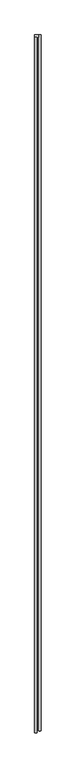
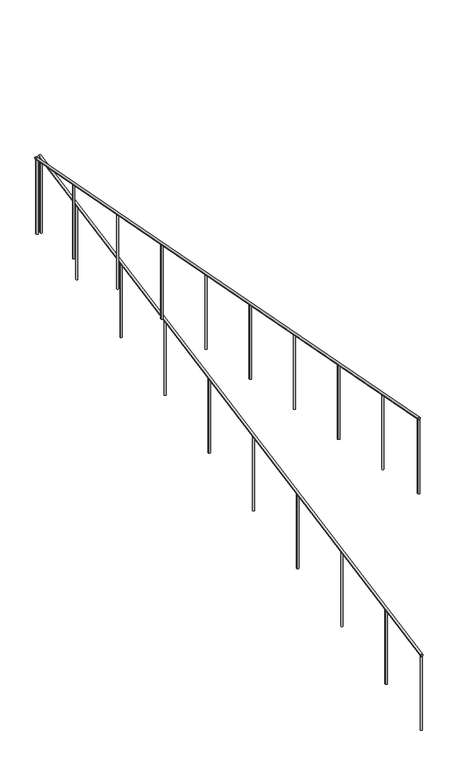
"""IFC4 building model written with IfcOpenShell, lengths in millimetres: railing geometry."""

from ifc_helpers import new_model, si_unit, point, frame, frame_2d, origin, place, context, project, spatial, circle_curve, ellipse_curve, trimmed, segment, composite_curve, outline, extrude, source, transform, mapped, element, save
from ifc_brep_helpers import plane_surface, cylinder_surface, advanced_brep


def railing_60e6f6f8(model_context):
    return source(origin(), model_context, "Body", "SolidModel", [
        advanced_brep(
        [(-2521.6708619, -4424.8001688, 1034.7279862), (-2491.6708619, -4424.8001688, 1034.7279862), (-2521.6708619, 4217.6998312, 2688.0758123), (-2491.6708619, 4217.6998312, 2688.0758123)],
        [
            (0, 1, ellipse_curve(frame((-2506.6708619, -4424.8001688, 1034.7279862), z_axis=(0.0, -1.0, 0.0), x_axis=(0.0, 0.0, -1.0)), 15.2720138, 15.0)),
            (1, 0, ellipse_curve(frame((-2506.6708619, -4424.8001688, 1034.7279862), z_axis=(0.0, -1.0, 0.0), x_axis=(0.0, 0.0, -1.0)), 15.2720138, 15.0)),
            (2, 3, ellipse_curve(frame((-2506.6708619, 4217.6998312, 2688.0758123), z_axis=(0.0, 1.0, 0.0), x_axis=(0.0, 0.0, -1.0)), 15.2720138, 15.0)),
            (3, 2, ellipse_curve(frame((-2506.6708619, 4217.6998312, 2688.0758123), z_axis=(0.0, 1.0, 0.0), x_axis=(0.0, 0.0, -1.0)), 15.2720138, 15.0)),
            (0, 2),
            (3, 1),
        ],
        [
            plane_surface(frame((-2506.6708619, -4424.8001688, 1050.0), z_axis=(0.0, -1.0, 0.0), x_axis=(0.0, 0.0, 1.0))),
            plane_surface(frame((-2506.6708619, 4217.6998312, 2703.3478261), z_axis=(0.0, 1.0, 0.0), x_axis=(0.0, 0.0, 1.0))),
            cylinder_surface(frame((-2506.6708619, -4421.9817141, 1035.2671689), z_axis=(0.0, -0.9821887426011093, -0.18789697684542964), x_axis=(1.0, 0.0, 0.0)), 15.0),
        ],
        [
            (0, [[1, 2]]),
            (1, [[3, 4]]),
            (2, [[-1, 5, -4, 6]]),
            (2, [[-2, -6, -3, -5]]),
        ],
    ),
        advanced_brep(
        [(-2521.6708619, 4187.6998312, 2682.6086957), (-2521.6708619, 4217.6998312, 2682.6086957), (-2571.6708619, 4187.6998312, 2682.6086957), (-2571.6708619, 4217.6998312, 2682.6086957)],
        [
            (0, 1, circle_curve(frame((-2521.6708619, 4202.6998312, 2682.6086957), z_axis=(1.0, 0.0, 0.0), x_axis=(0.0, 1.0, 0.0)), 15.0)),
            (1, 0, circle_curve(frame((-2521.6708619, 4202.6998312, 2682.6086957), z_axis=(1.0, 0.0, 0.0), x_axis=(0.0, 1.0, 0.0)), 15.0)),
            (2, 3, circle_curve(frame((-2571.6708619, 4202.6998312, 2682.6086957), z_axis=(-1.0, 0.0, 0.0), x_axis=(0.0, 1.0, 0.0)), 15.0)),
            (3, 2, circle_curve(frame((-2571.6708619, 4202.6998312, 2682.6086957), z_axis=(-1.0, 0.0, 0.0), x_axis=(0.0, 1.0, 0.0)), 15.0)),
            (0, 2),
            (3, 1),
        ],
        [
            plane_surface(frame((-2521.6708619, 4202.6998312, 2697.6086957), z_axis=(1.0, 0.0, 0.0), x_axis=(0.0, -1.0, 0.0))),
            plane_surface(frame((-2571.6708619, 4202.6998312, 2697.6086957), z_axis=(-1.0, 0.0, 0.0), x_axis=(0.0, -1.0, 0.0))),
            cylinder_surface(frame((-2521.6708619, 4202.6998312, 2682.6086957), z_axis=(1.0, 0.0, 0.0), x_axis=(0.0, 1.0, 0.0)), 15.0),
        ],
        [
            (0, [[1, 2]]),
            (1, [[3, 4]]),
            (2, [[-1, 5, -4, 6]]),
            (2, [[-2, -6, -3, -5]]),
        ],
    ),
        advanced_brep(
        [(-2541.6708619, 4187.6998312, 2682.3366819), (-2571.6708619, 4187.6998312, 2682.3366819), (-2541.6708619, -4449.8001688, 4334.7279862), (-2571.6708619, -4449.8001688, 4334.7279862)],
        [
            (0, 1, ellipse_curve(frame((-2556.6708619, 4187.6998312, 2682.3366819), z_axis=(0.0, 1.0, 0.0), x_axis=(0.0, 0.0, -1.0)), 15.2720138, 15.0)),
            (1, 0, ellipse_curve(frame((-2556.6708619, 4187.6998312, 2682.3366819), z_axis=(0.0, 1.0, 0.0), x_axis=(0.0, 0.0, -1.0)), 15.2720138, 15.0)),
            (2, 3, ellipse_curve(frame((-2556.6708619, -4449.8001688, 4334.7279862), z_axis=(0.0, -1.0, 0.0), x_axis=(0.0, 0.0, -1.0)), 15.2720138, 15.0)),
            (3, 2, ellipse_curve(frame((-2556.6708619, -4449.8001688, 4334.7279862), z_axis=(0.0, -1.0, 0.0), x_axis=(0.0, 0.0, -1.0)), 15.2720138, 15.0)),
            (0, 2),
            (3, 1),
        ],
        [
            plane_surface(frame((-2556.6708619, 4187.6998312, 2697.6086957), z_axis=(0.0, 1.0, 0.0), x_axis=(0.0, 0.0, -1.0))),
            plane_surface(frame((-2556.6708619, -4449.8001688, 4350.0), z_axis=(0.0, -1.0, 0.0), x_axis=(0.0, 0.0, -1.0))),
            cylinder_surface(frame((-2556.6708619, 4184.8813766, 2682.8758645), z_axis=(0.0, 0.9821887426011093, -0.1878969768454297), x_axis=(-1.0, 0.0, 0.0)), 15.0),
        ],
        [
            (0, [[1, 2]]),
            (1, [[3, 4]]),
            (2, [[-1, 5, -4, 6]]),
            (2, [[-2, -6, -3, -5]]),
        ],
    ),
        advanced_brep(
        [(-2569.1708619, -3631.0501688, 4162.8255377), (-2569.1708619, -3631.0501688, 3143.3695652), (-2544.1708619, -3631.0501688, 3143.3695652), (-2544.1708619, -3631.0501688, 4162.8255377)],
        [
            (0, 1),
            (1, 2, circle_curve(frame((-2556.6708619, -3631.0501688, 3143.3695652), z_axis=(0.0, 0.0, 1.0), x_axis=(1.0, 0.0, 0.0)), 12.5)),
            (2, 3),
            (3, 0, ellipse_curve(frame((-2556.6708619, -3631.0501688, 4162.8255377), z_axis=(0.0, -0.1878969768454291, -0.9821887426011094), x_axis=(0.0, -0.9821887426011096, 0.18789697684542844)), 12.7266781, 12.5)),
            (0, 3, ellipse_curve(frame((-2556.6708619, -3631.0501688, 4162.8255377), z_axis=(0.0, -0.1878969768454291, -0.9821887426011094), x_axis=(0.0, -0.9821887426011096, 0.18789697684542844)), 12.7266781, 12.5)),
            (2, 1, circle_curve(frame((-2556.6708619, -3631.0501688, 3143.3695652), z_axis=(0.0, 0.0, 1.0), x_axis=(1.0, 0.0, 0.0)), 12.5)),
        ],
        [
            cylinder_surface(frame((-2556.6708619, -3631.0501688, 3043.3695652), z_axis=(0.0, 0.0, 1.0), x_axis=(1.0, 0.0, 0.0)), 12.5),
            plane_surface(frame((-2531.6708619, -3656.0501688, 4167.6081464), z_axis=(0.0, 0.1878969768454291, 0.9821887426011094), x_axis=(-1.0, 0.0, 0.0))),
            plane_surface(frame((-2531.6708619, -3606.0501688, 3143.3695652), z_axis=(0.0, 0.0, -1.0), x_axis=(-1.0, 0.0, 0.0))),
        ],
        [
            (0, [[1, 2, 3, 4]]),
            (0, [[-1, 5, -3, 6]]),
            (1, [[-4, -5]]),
            (2, [[-2, -6]]),
        ],
    ),
        advanced_brep(
        [(-2569.1708619, -2631.0501688, 3971.5211899), (-2569.1708619, -2631.0501688, 2952.0652174), (-2544.1708619, -2631.0501688, 2952.0652174), (-2544.1708619, -2631.0501688, 3971.5211899)],
        [
            (0, 1),
            (1, 2, circle_curve(frame((-2556.6708619, -2631.0501688, 2952.0652174), z_axis=(0.0, 0.0, 1.0), x_axis=(1.0, 0.0, 0.0)), 12.5)),
            (2, 3),
            (3, 0, ellipse_curve(frame((-2556.6708619, -2631.0501688, 3971.5211899), z_axis=(0.0, -0.1878969768454291, -0.9821887426011094), x_axis=(0.0, -0.9821887426011096, 0.18789697684542844)), 12.7266781, 12.5)),
            (0, 3, ellipse_curve(frame((-2556.6708619, -2631.0501688, 3971.5211899), z_axis=(0.0, -0.1878969768454291, -0.9821887426011094), x_axis=(0.0, -0.9821887426011096, 0.18789697684542844)), 12.7266781, 12.5)),
            (2, 1, circle_curve(frame((-2556.6708619, -2631.0501688, 2952.0652174), z_axis=(0.0, 0.0, 1.0), x_axis=(1.0, 0.0, 0.0)), 12.5)),
        ],
        [
            cylinder_surface(frame((-2556.6708619, -2631.0501688, 2852.0652174), z_axis=(0.0, 0.0, 1.0), x_axis=(1.0, 0.0, 0.0)), 12.5),
            plane_surface(frame((-2531.6708619, -2656.0501688, 3976.3037986), z_axis=(0.0, 0.1878969768454291, 0.9821887426011094), x_axis=(-1.0, 0.0, 0.0))),
            plane_surface(frame((-2531.6708619, -2606.0501688, 2952.0652174), z_axis=(0.0, 0.0, -1.0), x_axis=(-1.0, 0.0, 0.0))),
        ],
        [
            (0, [[1, 2, 3, 4]]),
            (0, [[-1, 5, -3, 6]]),
            (1, [[-4, -5]]),
            (2, [[-2, -6]]),
        ],
    ),
        advanced_brep(
        [(-2569.1708619, -1631.0501688, 3780.216842), (-2569.1708619, -1631.0501688, 2760.7608696), (-2544.1708619, -1631.0501688, 2760.7608696), (-2544.1708619, -1631.0501688, 3780.216842)],
        [
            (0, 1),
            (1, 2, circle_curve(frame((-2556.6708619, -1631.0501688, 2760.7608696), z_axis=(0.0, 0.0, 1.0), x_axis=(1.0, 0.0, 0.0)), 12.5)),
            (2, 3),
            (3, 0, ellipse_curve(frame((-2556.6708619, -1631.0501688, 3780.216842), z_axis=(0.0, -0.1878969768454291, -0.9821887426011094), x_axis=(0.0, -0.9821887426011096, 0.18789697684542844)), 12.7266781, 12.5)),
            (0, 3, ellipse_curve(frame((-2556.6708619, -1631.0501688, 3780.216842), z_axis=(0.0, -0.1878969768454291, -0.9821887426011094), x_axis=(0.0, -0.9821887426011096, 0.18789697684542844)), 12.7266781, 12.5)),
            (2, 1, circle_curve(frame((-2556.6708619, -1631.0501688, 2760.7608696), z_axis=(0.0, 0.0, 1.0), x_axis=(1.0, 0.0, 0.0)), 12.5)),
        ],
        [
            cylinder_surface(frame((-2556.6708619, -1631.0501688, 2660.7608696), z_axis=(0.0, 0.0, 1.0), x_axis=(1.0, 0.0, 0.0)), 12.5),
            plane_surface(frame((-2531.6708619, -1656.0501688, 3784.9994507), z_axis=(0.0, 0.1878969768454291, 0.9821887426011094), x_axis=(-1.0, 0.0, 0.0))),
            plane_surface(frame((-2531.6708619, -1606.0501688, 2760.7608696), z_axis=(0.0, 0.0, -1.0), x_axis=(-1.0, 0.0, 0.0))),
        ],
        [
            (0, [[1, 2, 3, 4]]),
            (0, [[-1, 5, -3, 6]]),
            (1, [[-4, -5]]),
            (2, [[-2, -6]]),
        ],
    ),
        advanced_brep(
        [(-2569.1708619, -631.0501688, 3588.9124942), (-2569.1708619, -631.0501688, 2569.4565217), (-2544.1708619, -631.0501688, 2569.4565217), (-2544.1708619, -631.0501688, 3588.9124942)],
        [
            (0, 1),
            (1, 2, circle_curve(frame((-2556.6708619, -631.0501688, 2569.4565217), z_axis=(0.0, 0.0, 1.0), x_axis=(1.0, 0.0, 0.0)), 12.5)),
            (2, 3),
            (3, 0, ellipse_curve(frame((-2556.6708619, -631.0501688, 3588.9124942), z_axis=(0.0, -0.1878969768454291, -0.9821887426011094), x_axis=(0.0, -0.9821887426011096, 0.18789697684542844)), 12.7266781, 12.5)),
            (0, 3, ellipse_curve(frame((-2556.6708619, -631.0501688, 3588.9124942), z_axis=(0.0, -0.1878969768454291, -0.9821887426011094), x_axis=(0.0, -0.9821887426011096, 0.18789697684542844)), 12.7266781, 12.5)),
            (2, 1, circle_curve(frame((-2556.6708619, -631.0501688, 2569.4565217), z_axis=(0.0, 0.0, 1.0), x_axis=(1.0, 0.0, 0.0)), 12.5)),
        ],
        [
            cylinder_surface(frame((-2556.6708619, -631.0501688, 2469.4565217), z_axis=(0.0, 0.0, 1.0), x_axis=(1.0, 0.0, 0.0)), 12.5),
            plane_surface(frame((-2531.6708619, -656.0501688, 3593.6951029), z_axis=(0.0, 0.1878969768454291, 0.9821887426011094), x_axis=(-1.0, 0.0, 0.0))),
            plane_surface(frame((-2531.6708619, -606.0501688, 2569.4565217), z_axis=(0.0, 0.0, -1.0), x_axis=(-1.0, 0.0, 0.0))),
        ],
        [
            (0, [[1, 2, 3, 4]]),
            (0, [[-1, 5, -3, 6]]),
            (1, [[-4, -5]]),
            (2, [[-2, -6]]),
        ],
    ),
        advanced_brep(
        [(-2569.1708619, 368.9498312, 3397.6081464), (-2569.1708619, 368.9498312, 2378.1521739), (-2544.1708619, 368.9498312, 2378.1521739), (-2544.1708619, 368.9498312, 3397.6081464)],
        [
            (0, 1),
            (1, 2, circle_curve(frame((-2556.6708619, 368.9498312, 2378.1521739), z_axis=(0.0, 0.0, 1.0), x_axis=(1.0, 0.0, 0.0)), 12.5)),
            (2, 3),
            (3, 0, ellipse_curve(frame((-2556.6708619, 368.9498312, 3397.6081464), z_axis=(0.0, -0.1878969768454291, -0.9821887426011094), x_axis=(0.0, -0.9821887426011096, 0.18789697684542844)), 12.7266781, 12.5)),
            (0, 3, ellipse_curve(frame((-2556.6708619, 368.9498312, 3397.6081464), z_axis=(0.0, -0.1878969768454291, -0.9821887426011094), x_axis=(0.0, -0.9821887426011096, 0.18789697684542844)), 12.7266781, 12.5)),
            (2, 1, circle_curve(frame((-2556.6708619, 368.9498312, 2378.1521739), z_axis=(0.0, 0.0, 1.0), x_axis=(1.0, 0.0, 0.0)), 12.5)),
        ],
        [
            cylinder_surface(frame((-2556.6708619, 368.9498312, 2278.1521739), z_axis=(0.0, 0.0, 1.0), x_axis=(1.0, 0.0, 0.0)), 12.5),
            plane_surface(frame((-2531.6708619, 343.9498312, 3402.3907551), z_axis=(0.0, 0.1878969768454291, 0.9821887426011094), x_axis=(-1.0, 0.0, 0.0))),
            plane_surface(frame((-2531.6708619, 393.9498312, 2378.1521739), z_axis=(0.0, 0.0, -1.0), x_axis=(-1.0, 0.0, 0.0))),
        ],
        [
            (0, [[1, 2, 3, 4]]),
            (0, [[-1, 5, -3, 6]]),
            (1, [[-4, -5]]),
            (2, [[-2, -6]]),
        ],
    ),
        advanced_brep(
        [(-2569.1708619, 1368.9498312, 3206.3037986), (-2569.1708619, 1368.9498312, 2186.8478261), (-2544.1708619, 1368.9498312, 2186.8478261), (-2544.1708619, 1368.9498312, 3206.3037986)],
        [
            (0, 1),
            (1, 2, circle_curve(frame((-2556.6708619, 1368.9498312, 2186.8478261), z_axis=(0.0, 0.0, 1.0), x_axis=(1.0, 0.0, 0.0)), 12.5)),
            (2, 3),
            (3, 0, ellipse_curve(frame((-2556.6708619, 1368.9498312, 3206.3037986), z_axis=(0.0, -0.1878969768454291, -0.9821887426011094), x_axis=(0.0, -0.9821887426011096, 0.18789697684542844)), 12.7266781, 12.5)),
            (0, 3, ellipse_curve(frame((-2556.6708619, 1368.9498312, 3206.3037986), z_axis=(0.0, -0.1878969768454291, -0.9821887426011094), x_axis=(0.0, -0.9821887426011096, 0.18789697684542844)), 12.7266781, 12.5)),
            (2, 1, circle_curve(frame((-2556.6708619, 1368.9498312, 2186.8478261), z_axis=(0.0, 0.0, 1.0), x_axis=(1.0, 0.0, 0.0)), 12.5)),
        ],
        [
            cylinder_surface(frame((-2556.6708619, 1368.9498312, 2086.8478261), z_axis=(0.0, 0.0, 1.0), x_axis=(1.0, 0.0, 0.0)), 12.5),
            plane_surface(frame((-2531.6708619, 1343.9498312, 3211.0864072), z_axis=(0.0, 0.1878969768454291, 0.9821887426011094), x_axis=(-1.0, 0.0, 0.0))),
            plane_surface(frame((-2531.6708619, 1393.9498312, 2186.8478261), z_axis=(0.0, 0.0, -1.0), x_axis=(-1.0, 0.0, 0.0))),
        ],
        [
            (0, [[1, 2, 3, 4]]),
            (0, [[-1, 5, -3, 6]]),
            (1, [[-4, -5]]),
            (2, [[-2, -6]]),
        ],
    ),
        advanced_brep(
        [(-2569.1708619, 2368.9498312, 3014.9994507), (-2569.1708619, 2368.9498312, 1995.5434783), (-2544.1708619, 2368.9498312, 1995.5434783), (-2544.1708619, 2368.9498312, 3014.9994507)],
        [
            (0, 1),
            (1, 2, circle_curve(frame((-2556.6708619, 2368.9498312, 1995.5434783), z_axis=(0.0, 0.0, 1.0), x_axis=(1.0, 0.0, 0.0)), 12.5)),
            (2, 3),
            (3, 0, ellipse_curve(frame((-2556.6708619, 2368.9498312, 3014.9994507), z_axis=(0.0, -0.1878969768454291, -0.9821887426011094), x_axis=(0.0, -0.9821887426011096, 0.18789697684542844)), 12.7266781, 12.5)),
            (0, 3, ellipse_curve(frame((-2556.6708619, 2368.9498312, 3014.9994507), z_axis=(0.0, -0.1878969768454291, -0.9821887426011094), x_axis=(0.0, -0.9821887426011096, 0.18789697684542844)), 12.7266781, 12.5)),
            (2, 1, circle_curve(frame((-2556.6708619, 2368.9498312, 1995.5434783), z_axis=(0.0, 0.0, 1.0), x_axis=(1.0, 0.0, 0.0)), 12.5)),
        ],
        [
            cylinder_surface(frame((-2556.6708619, 2368.9498312, 1895.5434783), z_axis=(0.0, 0.0, 1.0), x_axis=(1.0, 0.0, 0.0)), 12.5),
            plane_surface(frame((-2531.6708619, 2343.9498312, 3019.7820594), z_axis=(0.0, 0.1878969768454291, 0.9821887426011094), x_axis=(-1.0, 0.0, 0.0))),
            plane_surface(frame((-2531.6708619, 2393.9498312, 1995.5434783), z_axis=(0.0, 0.0, -1.0), x_axis=(-1.0, 0.0, 0.0))),
        ],
        [
            (0, [[1, 2, 3, 4]]),
            (0, [[-1, 5, -3, 6]]),
            (1, [[-4, -5]]),
            (2, [[-2, -6]]),
        ],
    ),
        advanced_brep(
        [(-2569.1708619, 3368.9498312, 2823.6951029), (-2569.1708619, 3368.9498312, 1804.2391304), (-2544.1708619, 3368.9498312, 1804.2391304), (-2544.1708619, 3368.9498312, 2823.6951029)],
        [
            (0, 1),
            (1, 2, circle_curve(frame((-2556.6708619, 3368.9498312, 1804.2391304), z_axis=(0.0, 0.0, 1.0), x_axis=(1.0, 0.0, 0.0)), 12.5)),
            (2, 3),
            (3, 0, ellipse_curve(frame((-2556.6708619, 3368.9498312, 2823.6951029), z_axis=(0.0, -0.1878969768454291, -0.9821887426011094), x_axis=(0.0, -0.9821887426011096, 0.18789697684542844)), 12.7266781, 12.5)),
            (0, 3, ellipse_curve(frame((-2556.6708619, 3368.9498312, 2823.6951029), z_axis=(0.0, -0.1878969768454291, -0.9821887426011094), x_axis=(0.0, -0.9821887426011096, 0.18789697684542844)), 12.7266781, 12.5)),
            (2, 1, circle_curve(frame((-2556.6708619, 3368.9498312, 1804.2391304), z_axis=(0.0, 0.0, 1.0), x_axis=(1.0, 0.0, 0.0)), 12.5)),
        ],
        [
            cylinder_surface(frame((-2556.6708619, 3368.9498312, 1704.2391304), z_axis=(0.0, 0.0, 1.0), x_axis=(1.0, 0.0, 0.0)), 12.5),
            plane_surface(frame((-2531.6708619, 3343.9498312, 2828.4777116), z_axis=(0.0, 0.1878969768454291, 0.9821887426011094), x_axis=(-1.0, 0.0, 0.0))),
            plane_surface(frame((-2531.6708619, 3393.9498312, 1804.2391304), z_axis=(0.0, 0.0, -1.0), x_axis=(-1.0, 0.0, 0.0))),
        ],
        [
            (0, [[1, 2, 3, 4]]),
            (0, [[-1, 5, -3, 6]]),
            (1, [[-4, -5]]),
            (2, [[-2, -6]]),
        ],
    ),
        advanced_brep(
        [(-2494.1708619, 3381.4498312, 2512.8255377), (-2494.1708619, 3381.4498312, 1493.3695652), (-2519.1708619, 3381.4498312, 1493.3695652), (-2519.1708619, 3381.4498312, 2512.8255377)],
        [
            (0, 1),
            (1, 2, circle_curve(frame((-2506.6708619, 3381.4498312, 1493.3695652), z_axis=(0.0, 0.0, 1.0), x_axis=(-1.0, 0.0, 0.0)), 12.5)),
            (2, 3),
            (3, 0, ellipse_curve(frame((-2506.6708619, 3381.4498312, 2512.8255377), z_axis=(0.0, 0.1878969768454291, -0.9821887426011094), x_axis=(0.0, 0.9821887426011096, 0.18789697684542844)), 12.7266781, 12.5)),
            (0, 3, ellipse_curve(frame((-2506.6708619, 3381.4498312, 2512.8255377), z_axis=(0.0, 0.1878969768454291, -0.9821887426011094), x_axis=(0.0, 0.9821887426011096, 0.18789697684542844)), 12.7266781, 12.5)),
            (2, 1, circle_curve(frame((-2506.6708619, 3381.4498312, 1493.3695652), z_axis=(0.0, 0.0, 1.0), x_axis=(-1.0, 0.0, 0.0)), 12.5)),
        ],
        [
            cylinder_surface(frame((-2506.6708619, 3381.4498312, 1393.3695652), z_axis=(0.0, 0.0, 1.0), x_axis=(-1.0, 0.0, 0.0)), 12.5),
            plane_surface(frame((-2531.6708619, 3406.4498312, 2517.6081464), z_axis=(0.0, -0.1878969768454291, 0.9821887426011094), x_axis=(1.0, 0.0, 0.0))),
            plane_surface(frame((-2531.6708619, 3356.4498312, 1493.3695652), z_axis=(0.0, 0.0, -1.0), x_axis=(1.0, 0.0, 0.0))),
        ],
        [
            (0, [[1, 2, 3, 4]]),
            (0, [[-1, 5, -3, 6]]),
            (1, [[-4, -5]]),
            (2, [[-2, -6]]),
        ],
    ),
        advanced_brep(
        [(-2494.1708619, 2381.4498312, 2321.5211899), (-2494.1708619, 2381.4498312, 1302.0652174), (-2519.1708619, 2381.4498312, 1302.0652174), (-2519.1708619, 2381.4498312, 2321.5211899)],
        [
            (0, 1),
            (1, 2, circle_curve(frame((-2506.6708619, 2381.4498312, 1302.0652174), z_axis=(0.0, 0.0, 1.0), x_axis=(-1.0, 0.0, 0.0)), 12.5)),
            (2, 3),
            (3, 0, ellipse_curve(frame((-2506.6708619, 2381.4498312, 2321.5211899), z_axis=(0.0, 0.1878969768454291, -0.9821887426011094), x_axis=(0.0, 0.9821887426011096, 0.18789697684542844)), 12.7266781, 12.5)),
            (0, 3, ellipse_curve(frame((-2506.6708619, 2381.4498312, 2321.5211899), z_axis=(0.0, 0.1878969768454291, -0.9821887426011094), x_axis=(0.0, 0.9821887426011096, 0.18789697684542844)), 12.7266781, 12.5)),
            (2, 1, circle_curve(frame((-2506.6708619, 2381.4498312, 1302.0652174), z_axis=(0.0, 0.0, 1.0), x_axis=(-1.0, 0.0, 0.0)), 12.5)),
        ],
        [
            cylinder_surface(frame((-2506.6708619, 2381.4498312, 1202.0652174), z_axis=(0.0, 0.0, 1.0), x_axis=(-1.0, 0.0, 0.0)), 12.5),
            plane_surface(frame((-2531.6708619, 2406.4498312, 2326.3037986), z_axis=(0.0, -0.1878969768454291, 0.9821887426011094), x_axis=(1.0, 0.0, 0.0))),
            plane_surface(frame((-2531.6708619, 2356.4498312, 1302.0652174), z_axis=(0.0, 0.0, -1.0), x_axis=(1.0, 0.0, 0.0))),
        ],
        [
            (0, [[1, 2, 3, 4]]),
            (0, [[-1, 5, -3, 6]]),
            (1, [[-4, -5]]),
            (2, [[-2, -6]]),
        ],
    ),
        advanced_brep(
        [(-2494.1708619, 1381.4498312, 2130.216842), (-2494.1708619, 1381.4498312, 1110.7608696), (-2519.1708619, 1381.4498312, 1110.7608696), (-2519.1708619, 1381.4498312, 2130.216842)],
        [
            (0, 1),
            (1, 2, circle_curve(frame((-2506.6708619, 1381.4498312, 1110.7608696), z_axis=(0.0, 0.0, 1.0), x_axis=(-1.0, 0.0, 0.0)), 12.5)),
            (2, 3),
            (3, 0, ellipse_curve(frame((-2506.6708619, 1381.4498312, 2130.216842), z_axis=(0.0, 0.1878969768454291, -0.9821887426011094), x_axis=(0.0, 0.9821887426011096, 0.18789697684542844)), 12.7266781, 12.5)),
            (0, 3, ellipse_curve(frame((-2506.6708619, 1381.4498312, 2130.216842), z_axis=(0.0, 0.1878969768454291, -0.9821887426011094), x_axis=(0.0, 0.9821887426011096, 0.18789697684542844)), 12.7266781, 12.5)),
            (2, 1, circle_curve(frame((-2506.6708619, 1381.4498312, 1110.7608696), z_axis=(0.0, 0.0, 1.0), x_axis=(-1.0, 0.0, 0.0)), 12.5)),
        ],
        [
            cylinder_surface(frame((-2506.6708619, 1381.4498312, 1010.7608696), z_axis=(0.0, 0.0, 1.0), x_axis=(-1.0, 0.0, 0.0)), 12.5),
            plane_surface(frame((-2531.6708619, 1406.4498312, 2134.9994507), z_axis=(0.0, -0.1878969768454291, 0.9821887426011094), x_axis=(1.0, 0.0, 0.0))),
            plane_surface(frame((-2531.6708619, 1356.4498312, 1110.7608696), z_axis=(0.0, 0.0, -1.0), x_axis=(1.0, 0.0, 0.0))),
        ],
        [
            (0, [[1, 2, 3, 4]]),
            (0, [[-1, 5, -3, 6]]),
            (1, [[-4, -5]]),
            (2, [[-2, -6]]),
        ],
    ),
        advanced_brep(
        [(-2494.1708619, 381.4498312, 1938.9124942), (-2494.1708619, 381.4498312, 919.4565217), (-2519.1708619, 381.4498312, 919.4565217), (-2519.1708619, 381.4498312, 1938.9124942)],
        [
            (0, 1),
            (1, 2, circle_curve(frame((-2506.6708619, 381.4498312, 919.4565217), z_axis=(0.0, 0.0, 1.0), x_axis=(-1.0, 0.0, 0.0)), 12.5)),
            (2, 3),
            (3, 0, ellipse_curve(frame((-2506.6708619, 381.4498312, 1938.9124942), z_axis=(0.0, 0.1878969768454291, -0.9821887426011094), x_axis=(0.0, 0.9821887426011096, 0.18789697684542844)), 12.7266781, 12.5)),
            (0, 3, ellipse_curve(frame((-2506.6708619, 381.4498312, 1938.9124942), z_axis=(0.0, 0.1878969768454291, -0.9821887426011094), x_axis=(0.0, 0.9821887426011096, 0.18789697684542844)), 12.7266781, 12.5)),
            (2, 1, circle_curve(frame((-2506.6708619, 381.4498312, 919.4565217), z_axis=(0.0, 0.0, 1.0), x_axis=(-1.0, 0.0, 0.0)), 12.5)),
        ],
        [
            cylinder_surface(frame((-2506.6708619, 381.4498312, 819.4565217), z_axis=(0.0, 0.0, 1.0), x_axis=(-1.0, 0.0, 0.0)), 12.5),
            plane_surface(frame((-2531.6708619, 406.4498312, 1943.6951029), z_axis=(0.0, -0.1878969768454291, 0.9821887426011094), x_axis=(1.0, 0.0, 0.0))),
            plane_surface(frame((-2531.6708619, 356.4498312, 919.4565217), z_axis=(0.0, 0.0, -1.0), x_axis=(1.0, 0.0, 0.0))),
        ],
        [
            (0, [[1, 2, 3, 4]]),
            (0, [[-1, 5, -3, 6]]),
            (1, [[-4, -5]]),
            (2, [[-2, -6]]),
        ],
    ),
        advanced_brep(
        [(-2494.1708619, -618.5501688, 1747.6081464), (-2494.1708619, -618.5501688, 728.1521739), (-2519.1708619, -618.5501688, 728.1521739), (-2519.1708619, -618.5501688, 1747.6081464)],
        [
            (0, 1),
            (1, 2, circle_curve(frame((-2506.6708619, -618.5501688, 728.1521739), z_axis=(0.0, 0.0, 1.0), x_axis=(-1.0, 0.0, 0.0)), 12.5)),
            (2, 3),
            (3, 0, ellipse_curve(frame((-2506.6708619, -618.5501688, 1747.6081464), z_axis=(0.0, 0.1878969768454291, -0.9821887426011094), x_axis=(0.0, 0.9821887426011096, 0.18789697684542844)), 12.7266781, 12.5)),
            (0, 3, ellipse_curve(frame((-2506.6708619, -618.5501688, 1747.6081464), z_axis=(0.0, 0.1878969768454291, -0.9821887426011094), x_axis=(0.0, 0.9821887426011096, 0.18789697684542844)), 12.7266781, 12.5)),
            (2, 1, circle_curve(frame((-2506.6708619, -618.5501688, 728.1521739), z_axis=(0.0, 0.0, 1.0), x_axis=(-1.0, 0.0, 0.0)), 12.5)),
        ],
        [
            cylinder_surface(frame((-2506.6708619, -618.5501688, 628.1521739), z_axis=(0.0, 0.0, 1.0), x_axis=(-1.0, 0.0, 0.0)), 12.5),
            plane_surface(frame((-2531.6708619, -593.5501688, 1752.3907551), z_axis=(0.0, -0.1878969768454291, 0.9821887426011094), x_axis=(1.0, 0.0, 0.0))),
            plane_surface(frame((-2531.6708619, -643.5501688, 728.1521739), z_axis=(0.0, 0.0, -1.0), x_axis=(1.0, 0.0, 0.0))),
        ],
        [
            (0, [[1, 2, 3, 4]]),
            (0, [[-1, 5, -3, 6]]),
            (1, [[-4, -5]]),
            (2, [[-2, -6]]),
        ],
    ),
        advanced_brep(
        [(-2494.1708619, -1618.5501688, 1556.3037986), (-2494.1708619, -1618.5501688, 536.8478261), (-2519.1708619, -1618.5501688, 536.8478261), (-2519.1708619, -1618.5501688, 1556.3037986)],
        [
            (0, 1),
            (1, 2, circle_curve(frame((-2506.6708619, -1618.5501688, 536.8478261), z_axis=(0.0, 0.0, 1.0), x_axis=(-1.0, 0.0, 0.0)), 12.5)),
            (2, 3),
            (3, 0, ellipse_curve(frame((-2506.6708619, -1618.5501688, 1556.3037986), z_axis=(0.0, 0.1878969768454291, -0.9821887426011094), x_axis=(0.0, 0.9821887426011096, 0.18789697684542844)), 12.7266781, 12.5)),
            (0, 3, ellipse_curve(frame((-2506.6708619, -1618.5501688, 1556.3037986), z_axis=(0.0, 0.1878969768454291, -0.9821887426011094), x_axis=(0.0, 0.9821887426011096, 0.18789697684542844)), 12.7266781, 12.5)),
            (2, 1, circle_curve(frame((-2506.6708619, -1618.5501688, 536.8478261), z_axis=(0.0, 0.0, 1.0), x_axis=(-1.0, 0.0, 0.0)), 12.5)),
        ],
        [
            cylinder_surface(frame((-2506.6708619, -1618.5501688, 436.8478261), z_axis=(0.0, 0.0, 1.0), x_axis=(-1.0, 0.0, 0.0)), 12.5),
            plane_surface(frame((-2531.6708619, -1593.5501688, 1561.0864072), z_axis=(0.0, -0.1878969768454291, 0.9821887426011094), x_axis=(1.0, 0.0, 0.0))),
            plane_surface(frame((-2531.6708619, -1643.5501688, 536.8478261), z_axis=(0.0, 0.0, -1.0), x_axis=(1.0, 0.0, 0.0))),
        ],
        [
            (0, [[1, 2, 3, 4]]),
            (0, [[-1, 5, -3, 6]]),
            (1, [[-4, -5]]),
            (2, [[-2, -6]]),
        ],
    ),
        advanced_brep(
        [(-2494.1708619, -2618.5501688, 1364.9994507), (-2494.1708619, -2618.5501688, 345.5434783), (-2519.1708619, -2618.5501688, 345.5434783), (-2519.1708619, -2618.5501688, 1364.9994507)],
        [
            (0, 1),
            (1, 2, circle_curve(frame((-2506.6708619, -2618.5501688, 345.5434783), z_axis=(0.0, 0.0, 1.0), x_axis=(-1.0, 0.0, 0.0)), 12.5)),
            (2, 3),
            (3, 0, ellipse_curve(frame((-2506.6708619, -2618.5501688, 1364.9994507), z_axis=(0.0, 0.1878969768454291, -0.9821887426011094), x_axis=(0.0, 0.9821887426011096, 0.18789697684542844)), 12.7266781, 12.5)),
            (0, 3, ellipse_curve(frame((-2506.6708619, -2618.5501688, 1364.9994507), z_axis=(0.0, 0.1878969768454291, -0.9821887426011094), x_axis=(0.0, 0.9821887426011096, 0.18789697684542844)), 12.7266781, 12.5)),
            (2, 1, circle_curve(frame((-2506.6708619, -2618.5501688, 345.5434783), z_axis=(0.0, 0.0, 1.0), x_axis=(-1.0, 0.0, 0.0)), 12.5)),
        ],
        [
            cylinder_surface(frame((-2506.6708619, -2618.5501688, 245.5434783), z_axis=(0.0, 0.0, 1.0), x_axis=(-1.0, 0.0, 0.0)), 12.5),
            plane_surface(frame((-2531.6708619, -2593.5501688, 1369.7820594), z_axis=(0.0, -0.1878969768454291, 0.9821887426011094), x_axis=(1.0, 0.0, 0.0))),
            plane_surface(frame((-2531.6708619, -2643.5501688, 345.5434783), z_axis=(0.0, 0.0, -1.0), x_axis=(1.0, 0.0, 0.0))),
        ],
        [
            (0, [[1, 2, 3, 4]]),
            (0, [[-1, 5, -3, 6]]),
            (1, [[-4, -5]]),
            (2, [[-2, -6]]),
        ],
    ),
        advanced_brep(
        [(-2494.1708619, -3618.5501688, 1173.6951029), (-2494.1708619, -3618.5501688, 154.2391304), (-2519.1708619, -3618.5501688, 154.2391304), (-2519.1708619, -3618.5501688, 1173.6951029)],
        [
            (0, 1),
            (1, 2, circle_curve(frame((-2506.6708619, -3618.5501688, 154.2391304), z_axis=(0.0, 0.0, 1.0), x_axis=(-1.0, 0.0, 0.0)), 12.5)),
            (2, 3),
            (3, 0, ellipse_curve(frame((-2506.6708619, -3618.5501688, 1173.6951029), z_axis=(0.0, 0.1878969768454291, -0.9821887426011094), x_axis=(0.0, 0.9821887426011096, 0.18789697684542844)), 12.7266781, 12.5)),
            (0, 3, ellipse_curve(frame((-2506.6708619, -3618.5501688, 1173.6951029), z_axis=(0.0, 0.1878969768454291, -0.9821887426011094), x_axis=(0.0, 0.9821887426011096, 0.18789697684542844)), 12.7266781, 12.5)),
            (2, 1, circle_curve(frame((-2506.6708619, -3618.5501688, 154.2391304), z_axis=(0.0, 0.0, 1.0), x_axis=(-1.0, 0.0, 0.0)), 12.5)),
        ],
        [
            cylinder_surface(frame((-2506.6708619, -3618.5501688, 54.2391304), z_axis=(0.0, 0.0, 1.0), x_axis=(-1.0, 0.0, 0.0)), 12.5),
            plane_surface(frame((-2531.6708619, -3593.5501688, 1178.4777116), z_axis=(0.0, -0.1878969768454291, 0.9821887426011094), x_axis=(1.0, 0.0, 0.0))),
            plane_surface(frame((-2531.6708619, -3643.5501688, 154.2391304), z_axis=(0.0, 0.0, -1.0), x_axis=(1.0, 0.0, 0.0))),
        ],
        [
            (0, [[1, 2, 3, 4]]),
            (0, [[-1, 5, -3, 6]]),
            (1, [[-4, -5]]),
            (2, [[-2, -6]]),
        ],
    ),
        extrude(outline(composite_curve([segment(trimmed(circle_curve(frame_2d((-2556.6708619, 4187.6998312)), 12.5), [point((-2544.1708619, 4187.6998312))], [point((-2569.1708619, 4187.6998312))], False, "CARTESIAN"), True, "CONTINUOUS"), segment(trimmed(circle_curve(frame_2d((-2556.6708619, 4187.6998312)), 12.5), [point((-2569.1708619, 4187.6998312))], [point((-2544.1708619, 4187.6998312))], False, "CARTESIAN"), True, "CONTINUOUS")], self_intersect=False)), frame((0.0, 0.0, 1647.6086957), z_axis=(0.0, 0.0, 1.0), x_axis=(1.0, 0.0, 0.0)), (0.0, 0.0, 1.0), 1020.0),
        extrude(outline(composite_curve([segment(trimmed(circle_curve(frame_2d((-2556.6708619, 4202.6998312)), 12.5), [point((-2556.6708619, 4190.1998312))], [point((-2556.6708619, 4215.1998312))], False, "CARTESIAN"), True, "CONTINUOUS"), segment(trimmed(circle_curve(frame_2d((-2556.6708619, 4202.6998312)), 12.5), [point((-2556.6708619, 4215.1998312))], [point((-2556.6708619, 4190.1998312))], False, "CARTESIAN"), True, "CONTINUOUS")], self_intersect=False)), frame((0.0, 0.0, 1644.7391304), z_axis=(0.0, 0.0, 1.0), x_axis=(1.0, 0.0, 0.0)), (0.0, 0.0, 1.0), 1022.8695652),
        extrude(outline(composite_curve([segment(trimmed(circle_curve(frame_2d((-2506.6708619, 4202.6998312)), 12.5), [point((-2519.1708619, 4202.6998312))], [point((-2494.1708619, 4202.6998312))], False, "CARTESIAN"), True, "CONTINUOUS"), segment(trimmed(circle_curve(frame_2d((-2506.6708619, 4202.6998312)), 12.5), [point((-2494.1708619, 4202.6998312))], [point((-2519.1708619, 4202.6998312))], False, "CARTESIAN"), True, "CONTINUOUS")], self_intersect=False)), frame((0.0, 0.0, 1647.6086957), z_axis=(0.0, 0.0, 1.0), x_axis=(1.0, 0.0, 0.0)), (0.0, 0.0, 1.0), 1020.0),
        advanced_brep(
        [(-2494.1708619, 4187.6998312, 2667.0646681), (-2494.1708619, 4187.6998312, 1647.6086957), (-2519.1708619, 4187.6998312, 1647.6086957), (-2519.1708619, 4187.6998312, 2667.0646681)],
        [
            (0, 1),
            (1, 2, circle_curve(frame((-2506.6708619, 4187.6998312, 1647.6086957), z_axis=(0.0, 0.0, 1.0), x_axis=(-1.0, 0.0, 0.0)), 12.5)),
            (2, 3),
            (3, 0, ellipse_curve(frame((-2506.6708619, 4187.6998312, 2667.0646681), z_axis=(0.0, 0.1878969768454291, -0.9821887426011094), x_axis=(0.0, 0.9821887426011096, 0.18789697684542844)), 12.7266781, 12.5)),
            (0, 3, ellipse_curve(frame((-2506.6708619, 4187.6998312, 2667.0646681), z_axis=(0.0, 0.1878969768454291, -0.9821887426011094), x_axis=(0.0, 0.9821887426011096, 0.18789697684542844)), 12.7266781, 12.5)),
            (2, 1, circle_curve(frame((-2506.6708619, 4187.6998312, 1647.6086957), z_axis=(0.0, 0.0, 1.0), x_axis=(-1.0, 0.0, 0.0)), 12.5)),
        ],
        [
            cylinder_surface(frame((-2506.6708619, 4187.6998312, 1547.6086957), z_axis=(0.0, 0.0, 1.0), x_axis=(-1.0, 0.0, 0.0)), 12.5),
            plane_surface(frame((-2531.6708619, 4212.6998312, 2671.8472768), z_axis=(0.0, -0.1878969768454291, 0.9821887426011094), x_axis=(1.0, 0.0, 0.0))),
            plane_surface(frame((-2531.6708619, 4162.6998312, 1647.6086957), z_axis=(0.0, 0.0, -1.0), x_axis=(1.0, 0.0, 0.0))),
        ],
        [
            (0, [[1, 2, 3, 4]]),
            (0, [[-1, 5, -3, 6]]),
            (1, [[-4, -5]]),
            (2, [[-2, -6]]),
        ],
    ),
        advanced_brep(
        [(-2569.1708619, -4439.8001688, 4317.542929), (-2569.1708619, -4439.8001688, 3298.0869565), (-2544.1708619, -4439.8001688, 3298.0869565), (-2544.1708619, -4439.8001688, 4317.542929)],
        [
            (0, 1),
            (1, 2, circle_curve(frame((-2556.6708619, -4439.8001688, 3298.0869565), z_axis=(0.0, 0.0, 1.0), x_axis=(1.0, 0.0, 0.0)), 12.5)),
            (2, 3),
            (3, 0, ellipse_curve(frame((-2556.6708619, -4439.8001688, 4317.542929), z_axis=(0.0, -0.1878969768454291, -0.9821887426011094), x_axis=(0.0, -0.9821887426011096, 0.18789697684542844)), 12.7266781, 12.5)),
            (0, 3, ellipse_curve(frame((-2556.6708619, -4439.8001688, 4317.542929), z_axis=(0.0, -0.1878969768454291, -0.9821887426011094), x_axis=(0.0, -0.9821887426011096, 0.18789697684542844)), 12.7266781, 12.5)),
            (2, 1, circle_curve(frame((-2556.6708619, -4439.8001688, 3298.0869565), z_axis=(0.0, 0.0, 1.0), x_axis=(1.0, 0.0, 0.0)), 12.5)),
        ],
        [
            cylinder_surface(frame((-2556.6708619, -4439.8001688, 3198.0869565), z_axis=(0.0, 0.0, 1.0), x_axis=(1.0, 0.0, 0.0)), 12.5),
            plane_surface(frame((-2531.6708619, -4464.8001688, 4322.3255377), z_axis=(0.0, 0.1878969768454291, 0.9821887426011094), x_axis=(-1.0, 0.0, 0.0))),
            plane_surface(frame((-2531.6708619, -4414.8001688, 3298.0869565), z_axis=(0.0, 0.0, -1.0), x_axis=(-1.0, 0.0, 0.0))),
        ],
        [
            (0, [[1, 2, 3, 4]]),
            (0, [[-1, 5, -3, 6]]),
            (1, [[-4, -5]]),
            (2, [[-2, -6]]),
        ],
    ),
        advanced_brep(
        [(-2494.1708619, -4414.8001688, 1021.3690159), (-2494.1708619, -4414.8001688, 1.9130435), (-2519.1708619, -4414.8001688, 1.9130435), (-2519.1708619, -4414.8001688, 1021.3690159)],
        [
            (0, 1),
            (1, 2, circle_curve(frame((-2506.6708619, -4414.8001688, 1.9130435), z_axis=(0.0, 0.0, 1.0), x_axis=(-1.0, 0.0, 0.0)), 12.5)),
            (2, 3),
            (3, 0, ellipse_curve(frame((-2506.6708619, -4414.8001688, 1021.3690159), z_axis=(0.0, 0.1878969768454291, -0.9821887426011094), x_axis=(0.0, 0.9821887426011096, 0.18789697684542844)), 12.7266781, 12.5)),
            (0, 3, ellipse_curve(frame((-2506.6708619, -4414.8001688, 1021.3690159), z_axis=(0.0, 0.1878969768454291, -0.9821887426011094), x_axis=(0.0, 0.9821887426011096, 0.18789697684542844)), 12.7266781, 12.5)),
            (2, 1, circle_curve(frame((-2506.6708619, -4414.8001688, 1.9130435), z_axis=(0.0, 0.0, 1.0), x_axis=(-1.0, 0.0, 0.0)), 12.5)),
        ],
        [
            cylinder_surface(frame((-2506.6708619, -4414.8001688, -98.0869565), z_axis=(0.0, 0.0, 1.0), x_axis=(-1.0, 0.0, 0.0)), 12.5),
            plane_surface(frame((-2531.6708619, -4389.8001688, 1026.1516246), z_axis=(0.0, -0.1878969768454291, 0.9821887426011094), x_axis=(1.0, 0.0, 0.0))),
            plane_surface(frame((-2531.6708619, -4439.8001688, 1.9130435), z_axis=(0.0, 0.0, -1.0), x_axis=(1.0, 0.0, 0.0))),
        ],
        [
            (0, [[1, 2, 3, 4]]),
            (0, [[-1, 5, -3, 6]]),
            (1, [[-4, -5]]),
            (2, [[-2, -6]]),
        ],
    ),
    ])


if __name__ == "__main__":
    model = new_model("IFC4")
    model_context = context("Model", 3, world=origin())
    ifc_project = project(units=[si_unit("LENGTHUNIT", "METRE", prefix="MILLI")], contexts=[model_context])
    site = spatial("IfcSite", under=ifc_project)
    building = spatial("IfcBuilding", under=site)
    placement = place(None, origin())
    railing_shape = railing_60e6f6f8(model_context)
    element("IfcRailing", 1, at=placement, inside=building, context=model_context, shape_type="MappedRepresentation", body=[
        mapped(railing_shape, transform((0.0, 0.0, 0.0), x_axis=(1.0, 0.0, 0.0), y_axis=(0.0, 1.0, 0.0), z_axis=(0.0, 0.0, 1.0))),
    ])
    save(model, "model.ifc")
